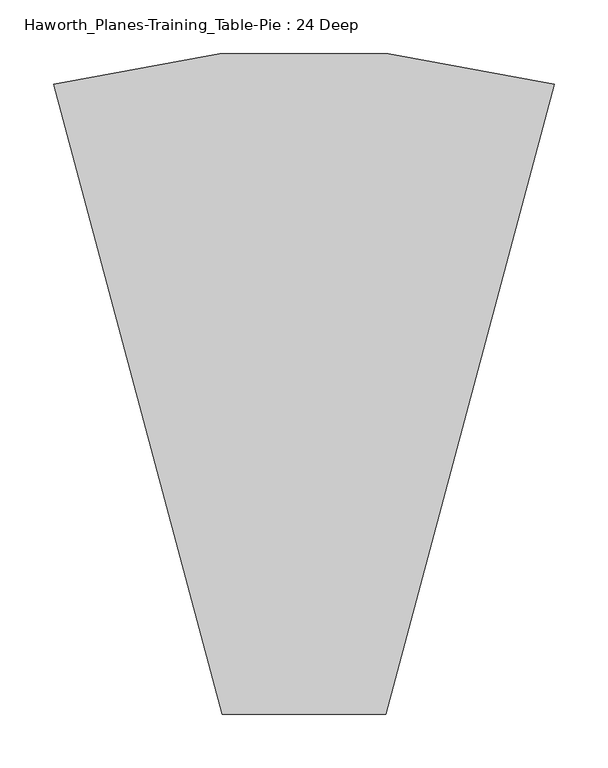
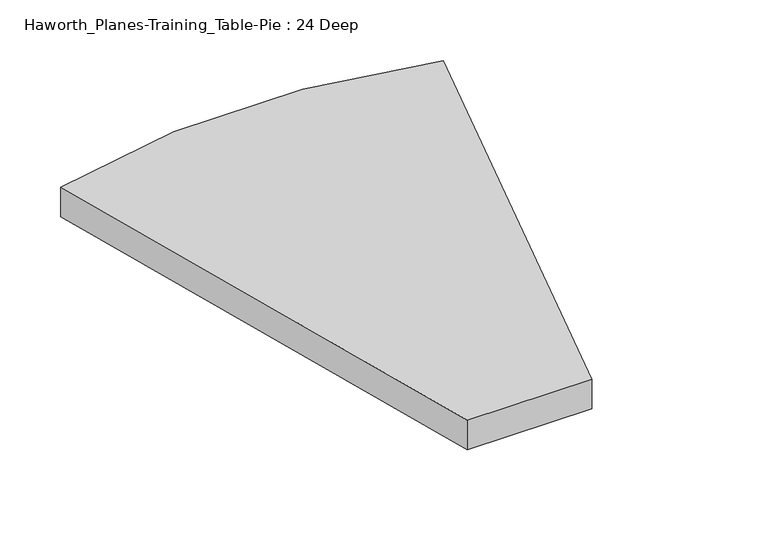
"""IFC4 building model written with IfcOpenShell, lengths in millimetres: furniture geometry, Haworth_Planes-Training_Table-Pie : 24 Deep."""

from ifc_helpers import new_model, si_unit, point, frame, frame_2d, origin, place, context, project, spatial, polyline, circle_curve, trimmed, segment, composite_curve, outline, extrude, source, transform, mapped, element, save


def haworth_planes_training_table_pie_24_deep_74494f69(model_context):
    return source(origin(), model_context, "Body", "SweptSolid", [
        extrude(outline(composite_curve([segment(polyline([(-59.257819, -76.2), (-217.0339089, 512.6283837)]), True, "CONTINUOUS"), segment(trimmed(circle_curve(frame_2d((16.942181, -321.0945777)), 865.9323224), [point((-217.0339089, 512.6283837))], [point((250.9182709, 512.6283837))], False, "CARTESIAN"), True, "CONTINUOUS"), segment(polyline([(250.9182709, 512.6283837), (93.142181, -76.2), (-59.257819, -76.2)]), True, "CONTINUOUS")], self_intersect=False)), frame((0.0, 0.0, 698.5), z_axis=(0.0, 0.0, 1.0), x_axis=(1.0, 0.0, 0.0)), (0.0, 0.0, 1.0), 38.1),
    ])


if __name__ == "__main__":
    model = new_model("IFC4")
    model_context = context("Model", 3, world=origin())
    ifc_project = project(units=[si_unit("LENGTHUNIT", "METRE", prefix="MILLI")], contexts=[model_context])
    site = spatial("IfcSite", under=ifc_project)
    building = spatial("IfcBuilding", under=site)
    placement = place(None, origin())
    haworth_planes_training_table_pie_24_deep_shape = haworth_planes_training_table_pie_24_deep_74494f69(model_context)
    element("IfcFurniture", 1, ObjectType="Haworth_Planes-Training_Table-Pie : 24 Deep", at=placement, inside=building, context=model_context, shape_type="MappedRepresentation", body=[
        mapped(haworth_planes_training_table_pie_24_deep_shape, transform((0.0, 0.0, 0.0), x_axis=(1.0, 0.0, 0.0), y_axis=(0.0, 1.0, 0.0), z_axis=(0.0, 0.0, 1.0))),
    ])
    save(model, "model.ifc")
